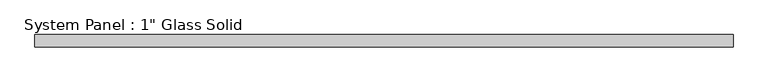
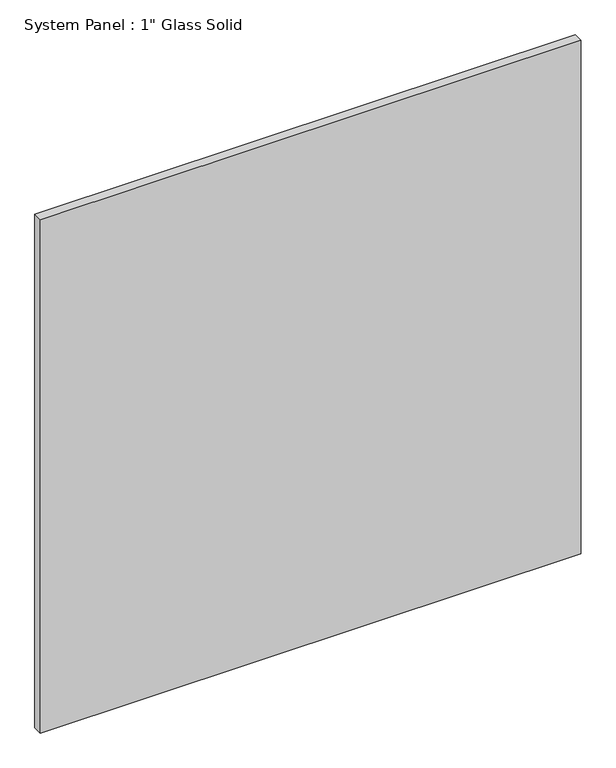
"""IFC4 building model written with IfcOpenShell, lengths in millimetres: plate geometry."""

from ifc_helpers import new_model, si_unit, origin, origin_with_axes, place, context, project, spatial, polyline, outline, extrude, source, transform, mapped, element, save


def plate_f271f029(model_context):
    return source(origin(), model_context, "Body", "SweptSolid", [
        extrude(outline(polyline([(720.7755347, -12.7), (-720.7755347, -12.7), (-720.7755347, 12.7), (720.7755347, 12.7), (720.7755347, -12.7)])), origin_with_axes(), (0.0, 0.0, 1.0), 1446.5317704),
    ])


if __name__ == "__main__":
    model = new_model("IFC4")
    model_context = context("Model", 3, world=origin())
    ifc_project = project(units=[si_unit("LENGTHUNIT", "METRE", prefix="MILLI")], contexts=[model_context])
    site = spatial("IfcSite", under=ifc_project)
    building = spatial("IfcBuilding", under=site)
    placement = place(None, origin())
    plate_shape = plate_f271f029(model_context)
    element("IfcPlate", 1, ObjectType="System Panel : 1\" Glass Solid", at=placement, inside=building, context=model_context, shape_type="MappedRepresentation", body=[
        mapped(plate_shape, transform((0.0, 0.0, 0.0), x_axis=(1.0, 0.0, 0.0), y_axis=(0.0, 1.0, 0.0), z_axis=(0.0, 0.0, 1.0))),
    ])
    save(model, "model.ifc")
